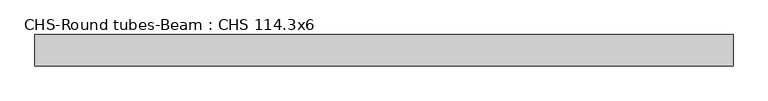
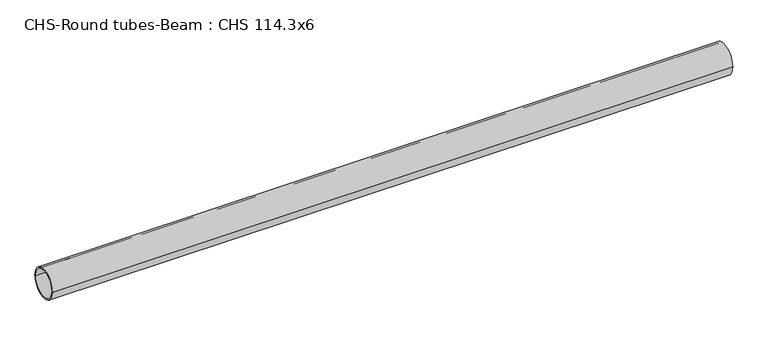
"""IFC4 building model written with IfcOpenShell, lengths in millimetres: beam geometry, CHS-Round tubes-Beam : CHS 114.3x6."""

from ifc_helpers import new_model, si_unit, point, frame, origin, origin_2d, place, context, project, spatial, circle_curve, trimmed, segment, composite_curve, outline, extrude, source, transform, mapped, element, save


def chs_round_tubes_beam_chs_114_3x6_1640a26a(model_context):
    return source(origin(), model_context, "Body", "SweptSolid", [
        extrude(outline(composite_curve([segment(trimmed(circle_curve(origin_2d(), 57.15), [point((57.15, 0.0))], [point((-57.15, 0.0))], False, "CARTESIAN"), True, "CONTINUOUS"), segment(trimmed(circle_curve(origin_2d(), 57.15), [point((-57.15, 0.0))], [point((57.15, 0.0))], False, "CARTESIAN"), True, "CONTINUOUS")], self_intersect=False), holes=[composite_curve([segment(trimmed(circle_curve(origin_2d(), 51.15), [point((51.15, 0.0))], [point((-51.15, 0.0))], True, "CARTESIAN"), True, "CONTINUOUS"), segment(trimmed(circle_curve(origin_2d(), 51.15), [point((-51.15, 0.0))], [point((51.15, 0.0))], True, "CARTESIAN"), True, "CONTINUOUS")], self_intersect=False)]), frame((-1193.8713162, 0.0, 0.0), z_axis=(1.0, 0.0, 0.0), x_axis=(0.0, 1.0, 0.0)), (0.0, 0.0, 1.0), 2541.9321301),
    ])


if __name__ == "__main__":
    model = new_model("IFC4")
    model_context = context("Model", 3, world=origin())
    ifc_project = project(units=[si_unit("LENGTHUNIT", "METRE", prefix="MILLI")], contexts=[model_context])
    site = spatial("IfcSite", under=ifc_project)
    building = spatial("IfcBuilding", under=site)
    placement = place(None, origin())
    chs_round_tubes_beam_chs_114_3x6_shape = chs_round_tubes_beam_chs_114_3x6_1640a26a(model_context)
    element("IfcBeam", 1, ObjectType="CHS-Round tubes-Beam : CHS 114.3x6", at=placement, inside=building, context=model_context, shape_type="MappedRepresentation", body=[
        mapped(chs_round_tubes_beam_chs_114_3x6_shape, transform((0.0, 0.0, 0.0), x_axis=(1.0, 0.0, 0.0), y_axis=(0.0, 1.0, 0.0), z_axis=(0.0, 0.0, 1.0))),
    ])
    save(model, "model.ifc")
